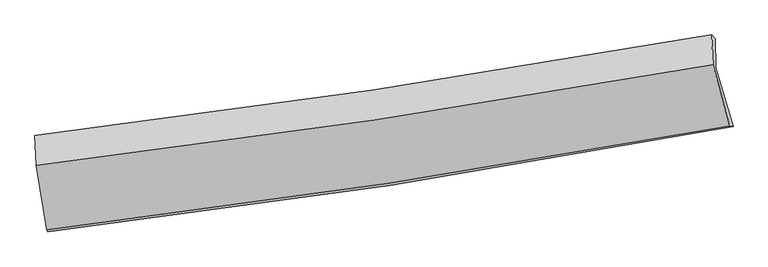
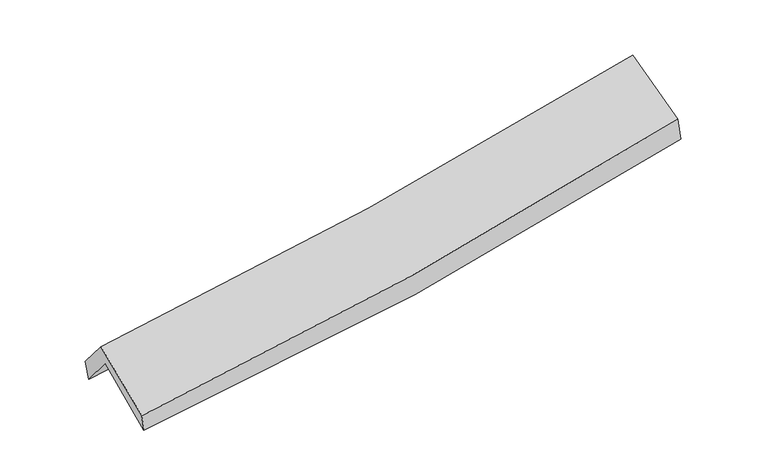
"""IFC4 building model written with IfcOpenShell, lengths in millimetres: proxy geometry."""

from ifc_helpers import new_model, si_unit, frame, origin, place, context, project, spatial, source, transform, mapped, element, save
from ifc_brep_helpers import plane_surface, spline_curve, spline_surface, advanced_brep


def generic_models_604daa05(model_context):
    return source(origin(), model_context, "Body", "AdvancedBrep", [
        advanced_brep(
        [(-2777.9109639, -2505.4355546, 1490.4330712), (-2861.7618568, -2000.0395773, 1902.4451981), (2798.8858973, -1131.8766915, 2384.4430788), (2942.0229933, -1626.9676193, 1945.0959814), (-2871.0165994, -1741.2608449, 1583.6924506), (2792.4346056, -891.0232297, 2072.1546169), (-2886.1167538, -1702.9231401, 1752.4021383), (2763.9777882, -859.2556774, 2260.7970658), (-2876.2000689, -1953.0609247, 2045.2398083), (2774.4104038, -1108.6228599, 2552.8765361), (-2788.9259494, -2488.5102438, 1633.3098398), (2915.6145907, -1621.6794596, 2156.9222459)],
        [
            (0, 1),
            (1, 2, spline_curve(3, [(-2861.7618568, -2000.0395773, 1902.4451981), (-1915.237869536, -1890.441593314, 1953.878823478), (-972.611518527, -1763.746651821, 2019.488047751), (914.350391446, -1474.706984109, 2179.8655035), (1858.606625543, -1312.014296853, 2274.922239301), (2798.8858973, -1131.8766915, 2384.4430788)], [4, 2, 4], [0.0, 9.431009934060326, 18.957507367727036])),
            (2, 3),
            (3, 0, spline_curve(3, [(2942.0229933, -1626.9676193, 1945.0959814), (1991.924510091, -1807.487201952, 1825.273630241), (1037.7929874, -1971.237342609, 1727.393001896), (-868.932108839, -2263.725500343, 1576.276353584), (-1821.445238847, -2392.798004525, 1522.602678654), (-2777.9109639, -2505.4355546, 1490.4330712)], [4, 2, 4], [0.0, 9.52649743366671, 18.957507367727036])),
            (1, 4),
            (4, 5, spline_curve(3, [(-2871.0165994, -1741.2608449, 1583.6924506), (-1924.92639126, -1626.774358248, 1631.690806618), (-982.286749129, -1499.101616562, 1696.107021908), (905.600545942, -1215.957447138, 1858.593604452), (1850.777971989, -1060.217650619, 1956.998111129), (2792.4346056, -891.0232297, 2072.1546169)], [4, 2, 4], [0.0, 9.383584823758275, 18.86217697530327])),
            (5, 2),
            (4, 6),
            (6, 7, spline_curve(3, [(-2886.1167538, -1702.9231401, 1752.4021383), (-1942.473709128, -1588.583279836, 1808.091862301), (-1002.165682805, -1461.526231617, 1878.017504468), (881.267039479, -1180.562566716, 2047.19274796), (1824.323860403, -1026.397127591, 2146.732081747), (2763.9777882, -859.2556774, 2260.7970658)], [4, 2, 4], [0.0, 9.37359221851455, 18.842090591251598])),
            (7, 5),
            (6, 8),
            (8, 9, spline_curve(3, [(-2876.2000689, -1953.0609247, 2045.2398083), (-1932.490149195, -1838.286372715, 2100.436684824), (-992.105954231, -1710.947312355, 2170.052113918), (891.498555987, -1429.723672503, 2338.970906989), (1834.651185089, -1275.583378167, 2438.567720794), (2774.4104038, -1108.6228599, 2552.8765361)], [4, 2, 4], [0.0, 9.363710686929863, 18.82222747912141])),
            (9, 7),
            (8, 10),
            (10, 11, spline_curve(3, [(-2788.9259494, -2488.5102438, 1633.3098398), (-1835.681860909, -2375.016461899, 1687.299047796), (-886.057557406, -2246.473703217, 1757.62552977), (1015.529626701, -1957.836388334, 1931.830498797), (1967.418836413, -1797.435552217, 2036.041485675), (2915.6145907, -1621.6794596, 2156.9222459)], [4, 2, 4], [0.0, 9.411751770784422, 18.91879605528601])),
            (11, 9),
            (10, 0),
            (3, 11),
        ],
        [
            spline_surface(3, 3, [[(-2777.9109639, -2505.4355546, 1490.4330712), (-1821.445238822, -2392.798004583, 1522.602678543), (-868.932108935, -2263.725500297, 1576.276353578), (1037.792987497, -1971.237342656, 1727.393001902), (1991.924509956, -1807.487201862, 1825.27363027), (2942.0229933, -1626.9676193, 1945.0959814)], [(-2805.861261503, -2336.970228824, 1627.770446813), (-1852.709449012, -2225.345867473, 1666.361393496), (-903.491912139, -2097.065884181, 1724.013584977), (996.645455532, -1805.727223109, 1878.217169066), (1947.485215086, -1642.32956682, 1975.156499934), (2894.310627942, -1461.937310017, 2091.545013852)], [(-2833.811559197, -2168.504903076, 1765.107822487), (-1883.973659293, -2057.89373039, 1810.120108509), (-938.05171541, -1930.406268047, 1871.750816416), (955.497923499, -1640.217103545, 2029.04133627), (1903.045920289, -1477.171931825, 2125.039369642), (2846.598262658, -1296.907000783, 2237.994046348)], [(-2861.7618568, -2000.0395773, 1902.4451981), (-1915.237869483, -1890.441593279, 1953.878823461), (-972.611518613, -1763.74665193, 2019.488047816), (914.350391534, -1474.706983999, 2179.865503435), (1858.606625419, -1312.014296783, 2274.922239306), (2798.8858973, -1131.8766915, 2384.4430788)]], [4, 4], [4, 2, 4], [0.0, 2.229433750240438], [0.0, 9.431009934060326, 18.957507367727036]),
            spline_surface(3, 3, [[(-2861.7618568, -2000.0395773, 1902.4451981), (-1915.237869483, -1890.441593279, 1953.878823461), (-972.611518613, -1763.74665193, 2019.488047816), (914.350391534, -1474.706983999, 2179.865503435), (1858.606625419, -1312.014296783, 2274.922239306), (2798.8858973, -1131.8766915, 2384.4430788)], [(-2864.846771003, -1913.779999833, 1796.194282269), (-1918.467376763, -1802.55251492, 1846.482817806), (-975.836595458, -1675.531640095, 1911.694372535), (911.433776283, -1388.457138435, 2072.774870472), (1855.997074283, -1228.08208143, 2168.947529932), (2796.735466748, -1051.592204239, 2280.346924859)], [(-2867.931685197, -1827.520422367, 1689.943366431), (-1921.696884034, -1714.663436561, 1739.086812143), (-979.061672214, -1587.316628244, 1803.900697174), (908.517161121, -1302.207292856, 1965.684237429), (1853.387523105, -1144.149866059, 2062.97282048), (2794.585036152, -971.307716961, 2176.250770841)], [(-2871.0165994, -1741.2608449, 1583.6924506), (-1924.926391314, -1626.774358202, 1631.690806488), (-982.286749059, -1499.101616409, 1696.107021893), (905.60054587, -1215.957447292, 1858.593604467), (1850.777971969, -1060.217650707, 1956.998111107), (2792.4346056, -891.0232297, 2072.1546169)]], [4, 4], [4, 2, 4], [0.0, 1.3624058269566435], [0.0, 9.383584823758275, 18.86217697530327]),
            spline_surface(3, 3, [[(-2871.0165994, -1741.2608449, 1583.6924506), (-1924.926391314, -1626.774358202, 1631.690806488), (-982.286749059, -1499.101616409, 1696.107021893), (905.60054587, -1215.957447292, 1858.593604467), (1850.777971969, -1060.217650707, 1956.998111107), (2792.4346056, -891.0232297, 2072.1546169)], [(-2876.049984225, -1728.481609948, 1639.929013187), (-1930.775497327, -1614.043998748, 1690.49115842), (-988.913060276, -1486.576488144, 1756.743849391), (897.489377104, -1204.1591538, 1921.459985631), (1841.959934742, -1048.944142981, 2020.242767934), (2782.948999784, -880.434045614, 2135.035433176)], [(-2881.083368975, -1715.702375052, 1696.165575713), (-1936.624603266, -1601.313639348, 1749.291510291), (-995.539371587, -1474.051359831, 1817.380676931), (889.378208244, -1192.36086026, 1984.326366835), (1833.141897565, -1037.670635212, 2083.487424831), (2773.463394016, -869.844861486, 2197.916249524)], [(-2886.1167538, -1702.9231401, 1752.4021383), (-1942.47370928, -1588.583279893, 1808.091862223), (-1002.165682804, -1461.526231565, 1878.01750443), (881.267039478, -1180.562566768, 2047.192747999), (1824.323860339, -1026.397127486, 2146.732081658), (2763.9777882, -859.2556774, 2260.7970658)]], [4, 4], [4, 2, 4], [0.0, 0.6238066958614182], [0.0, 9.37359221851455, 18.842090591251598]),
            spline_surface(3, 3, [[(-2886.1167538, -1702.9231401, 1752.4021383), (-1942.47370928, -1588.583279893, 1808.091862223), (-1002.165682804, -1461.526231565, 1878.01750443), (881.267039478, -1180.562566768, 2047.192747999), (1824.323860339, -1026.397127486, 2146.732081658), (2763.9777882, -859.2556774, 2260.7970658)], [(-2882.811192151, -1786.30240166, 1850.014694955), (-1939.145855855, -1671.817644176, 1905.540136433), (-998.812439951, -1544.666591768, 1975.36237421), (884.677544923, -1263.616268717, 2144.452134378), (1827.766301991, -1109.45921105, 2244.010628068), (2767.455326757, -942.378071567, 2358.156889258)], [(-2879.505630549, -1869.68166314, 1947.627251645), (-1935.818002479, -1755.052008377, 2002.988410677), (-995.459197004, -1627.806952006, 2072.707243991), (888.088050462, -1346.669970702, 2241.711520758), (1831.208743572, -1192.521294615, 2341.289174404), (2770.932865243, -1025.500465733, 2455.516712642)], [(-2876.2000689, -1953.0609247, 2045.2398083), (-1932.490149055, -1838.286372659, 2100.436684887), (-992.105954151, -1710.947312209, 2170.052113771), (891.498555906, -1429.723672651, 2338.970907138), (1834.651185224, -1275.58337818, 2438.567720814), (2774.4104038, -1108.6228599, 2552.8765361)]], [4, 4], [4, 2, 4], [0.0, 1.2598465549482762], [0.0, 9.363710686929863, 18.82222747912141]),
            spline_surface(3, 3, [[(-2876.2000689, -1953.0609247, 2045.2398083), (-1932.490149055, -1838.286372659, 2100.436684887), (-992.105954151, -1710.947312209, 2170.052113771), (891.498555906, -1429.723672651, 2338.970907138), (1834.651185224, -1275.58337818, 2438.567720814), (2774.4104038, -1108.6228599, 2552.8765361)], [(-2847.108695731, -2131.544031044, 1907.929818811), (-1900.22071962, -2017.196402397, 1962.724139161), (-956.756488536, -1889.456109204, 2032.576585744), (932.842246158, -1605.761244522, 2203.257437733), (1878.907069006, -1449.534102867, 2304.392309069), (2821.478466102, -1279.641726471, 2420.891772687)], [(-2818.017322569, -2310.027137456, 1770.619829289), (-1867.951290191, -2196.106432203, 1825.011593401), (-921.407022951, -2067.964906246, 1895.101057694), (974.185936378, -1781.798816438, 2067.543968306), (1923.162952781, -1623.484827543, 2170.216897364), (2868.546528398, -1450.660593029, 2288.907009313)], [(-2788.9259494, -2488.5102438, 1633.3098398), (-1835.681860756, -2375.016461941, 1687.299047675), (-886.057557335, -2246.473703242, 1757.625529667), (1015.529626629, -1957.836388308, 1931.830498901), (1967.418836563, -1797.435552231, 2036.041485619), (2915.6145907, -1621.6794596, 2156.9222459)]], [4, 4], [4, 2, 4], [0.0, 2.23470158623227], [0.0, 9.411751770784422, 18.91879605528601]),
            spline_surface(3, 3, [[(-2788.9259494, -2488.5102438, 1633.3098398), (-1835.681860756, -2375.016461941, 1687.299047675), (-886.057557335, -2246.473703242, 1757.625529667), (1015.529626629, -1957.836388308, 1931.830498901), (1967.418836563, -1797.435552231, 2036.041485619), (2915.6145907, -1621.6794596, 2156.9222459)], [(-2785.254287587, -2494.15201409, 1585.684250264), (-1830.936320132, -2380.943642845, 1632.400257962), (-880.349074539, -2252.224302261, 1697.175804297), (1022.950746915, -1962.303373091, 1863.684666561), (1975.587394361, -1800.7861021, 1965.785533837), (2924.417391567, -1623.442179492, 2086.313491068)], [(-2781.582625713, -2499.79378431, 1538.058660736), (-1826.190779446, -2386.870823679, 1577.501468256), (-874.640591731, -2257.974901278, 1636.726078948), (1030.371867212, -1966.770357873, 1795.538834242), (1983.755952157, -1804.136651993, 1895.529582052), (2933.220192433, -1625.204899408, 2015.704736232)], [(-2777.9109639, -2505.4355546, 1490.4330712), (-1821.445238822, -2392.798004583, 1522.602678543), (-868.932108935, -2263.725500297, 1576.276353578), (1037.792987497, -1971.237342656, 1727.393001902), (1991.924509956, -1807.487201862, 1825.27363027), (2942.0229933, -1626.9676193, 1945.0959814)]], [4, 4], [4, 2, 4], [0.0, 0.6385070191986977], [0.0, 9.468958515755691, 19.033788754568388]),
            plane_surface(frame((2831.2243798, -1206.5709229, 2228.7149208), z_axis=(0.9769511067199077, 0.17831625189521164, 0.11734500155009192), x_axis=(0.21288650688692246, -0.7735098352258479, -0.5969605263284717))),
            plane_surface(frame((-2843.6553654, -2065.2050476, 1734.5870844), z_axis=(-0.991579342026712, -0.11311822116159236, -0.0630450355469014), x_axis=(-0.07633561720159614, 0.11729512115928682, 0.9901589408265118))),
        ],
        [
            (0, [[1, 2, 3, 4]]),
            (1, [[5, 6, 7, -2]]),
            (2, [[8, 9, 10, -6]]),
            (3, [[11, 12, 13, -9]]),
            (4, [[14, 15, 16, -12]]),
            (5, [[17, -4, 18, -15]]),
            (6, [[-16, -18, -3, -7, -10, -13]]),
            (7, [[-17, -14, -11, -8, -5, -1]]),
        ],
    ),
    ])


if __name__ == "__main__":
    model = new_model("IFC4")
    model_context = context("Model", 3, world=origin())
    ifc_project = project(units=[si_unit("LENGTHUNIT", "METRE", prefix="MILLI")], contexts=[model_context])
    site = spatial("IfcSite", under=ifc_project)
    building = spatial("IfcBuilding", under=site)
    placement = place(None, origin())
    generic_models_shape = generic_models_604daa05(model_context)
    element("IfcBuildingElementProxy", 1, Name="Generic Models", at=placement, inside=building, context=model_context, shape_type="MappedRepresentation", body=[
        mapped(generic_models_shape, transform((0.0, 0.0, 0.0), x_axis=(1.0, 0.0, 0.0), y_axis=(0.0, 1.0, 0.0), z_axis=(0.0, 0.0, 1.0))),
    ])
    save(model, "model.ifc")
